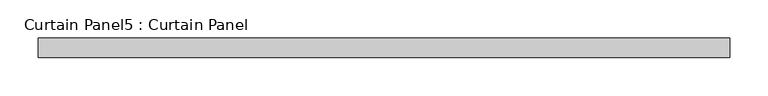
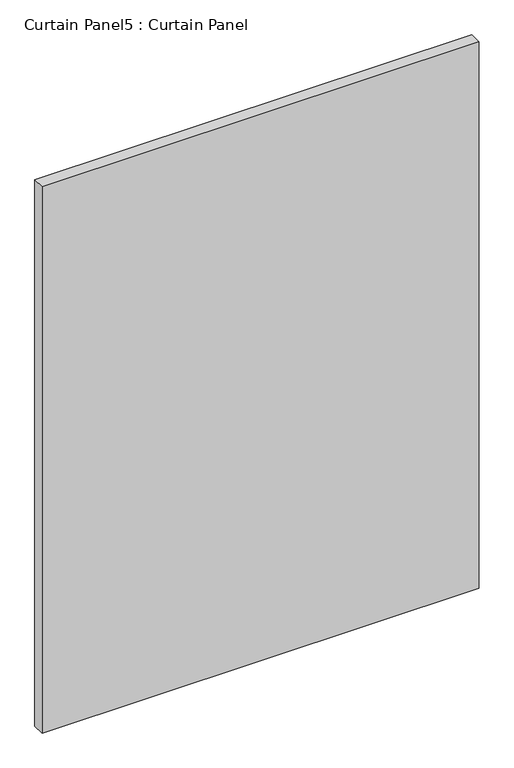
"""IFC4 building model written with IfcOpenShell, lengths in millimetres: plate geometry, Curtain Panel5 : Curtain Panel."""

import ifcopenshell
import ifcopenshell.guid

model = None  # the IFC model being written
_history = None  # IfcOwnerHistory: only IFC2X3 demands one
_inside = {}  # id of a spatial element -> (the spatial element, [elements in it])
_under = {}  # id of a project, library or spatial element -> (it, [spatial elements below it])
_declared = {}  # id of a project -> (the project, [libraries it declares])
_typed = {}  # id of a type object -> (the type object, [elements of that type])
_made_of = {}  # id of a material, layer set ... -> (it, [elements and type objects made of it])


def new_model(schema):
    """Start an empty IFC model of exactly this schema.

    Asked for "IFC4X3", IfcOpenShell would pick the latest addendum, in which some entities
    have other attributes; the version numbers below select the first issue.
    IFC2X3 requires an IfcOwnerHistory on every rooted entity: one is made here for all.
    """
    global model, _history
    if schema == "IFC4X3":
        model = ifcopenshell.file(schema_version=(4, 3, 0, 0))
    else:
        model = ifcopenshell.file(schema=schema)
    _inside.clear()
    _under.clear()
    _declared.clear()
    _typed.clear()
    _made_of.clear()
    _history = None
    if model.schema == "IFC2X3":
        org = make("IfcOrganization", Name="unknown")
        user = make(
            "IfcPersonAndOrganization",
            ThePerson=make("IfcPerson", FamilyName="unknown"),
            TheOrganization=org,
        )
        app = make(
            "IfcApplication",
            ApplicationDeveloper=org,
            Version="unknown",
            ApplicationFullName="unknown",
            ApplicationIdentifier="unknown",
        )
        _history = make(
            "IfcOwnerHistory",
            OwningUser=user,
            OwningApplication=app,
            ChangeAction="ADDED",
            CreationDate=0,
        )
    return model


def make(cls, **values):
    """One entity of the class cls with the attributes given. An attribute that is None is left unset."""
    return model.create_entity(
        cls, **{name: value for name, value in values.items() if value is not None}
    )


def rooted(cls, **values):
    """An entity with a GlobalId (a new one), such as an element, a storey or a relation."""
    return make(cls, GlobalId=ifcopenshell.guid.new(), OwnerHistory=_history, **values)


def si_unit(unit_type, name, prefix=None):
    """IfcSIUnit, for example si_unit("LENGTHUNIT", "METRE", prefix="MILLI")."""
    return make("IfcSIUnit", UnitType=unit_type, Prefix=prefix, Name=name)


def assignment(units):
    """IfcUnitAssignment: the units of a project."""
    return None if units is None else make("IfcUnitAssignment", Units=units)


def point(xyz):
    """IfcCartesianPoint."""
    return None if xyz is None else make("IfcCartesianPoint", Coordinates=xyz)


def direction(xyz):
    """IfcDirection."""
    return None if xyz is None else make("IfcDirection", DirectionRatios=xyz)


def frame(location, z_axis=None, x_axis=None):
    """IfcAxis2Placement3D, a coordinate frame: its origin and axes. An axis left out is left unset."""
    return make(
        "IfcAxis2Placement3D",
        Location=point(location),
        Axis=direction(z_axis),
        RefDirection=direction(x_axis),
    )


def origin():
    """The frame at (0, 0, 0) with its axes left unset."""
    return frame((0.0, 0.0, 0.0))


def place(relative_to, where):
    """IfcLocalPlacement: puts the frame where relative to a parent placement (None: the world)."""
    return make(
        "IfcLocalPlacement", PlacementRelTo=relative_to, RelativePlacement=where
    )


def context(
    kind, dimensions, precision=None, world=None, true_north=None, identifier=None
):
    """IfcGeometricRepresentationContext, for example the 3D "Model" context."""
    return make(
        "IfcGeometricRepresentationContext",
        ContextIdentifier=identifier,
        ContextType=kind,
        CoordinateSpaceDimension=dimensions,
        Precision=precision,
        WorldCoordinateSystem=world,
        TrueNorth=true_north,
    )


def project(units=None, contexts=None):
    """IfcProject with its units and contexts."""
    return rooted(
        "IfcProject",
        Name="project",
        RepresentationContexts=contexts,
        UnitsInContext=assignment(units),
    )


def spatial(cls, under=None, at=None, **own):
    """A site, building, storey or space (cls), placed at a placement, below another one or the project."""
    s = rooted(cls, ObjectPlacement=at, **own)
    if under is not None:
        _under.setdefault(under.id(), (under, []))[1].append(s)
    return s


def polyline(points):
    """IfcPolyline through the points."""
    return make("IfcPolyline", Points=[point(p) for p in points])


def outline(outer, holes=None, kind="AREA"):
    """IfcArbitraryClosedProfileDef: a profile drawn as a closed curve; with holes, ...WithVoids."""
    if holes is None:
        return make("IfcArbitraryClosedProfileDef", ProfileType=kind, OuterCurve=outer)
    return make(
        "IfcArbitraryProfileDefWithVoids",
        ProfileType=kind,
        OuterCurve=outer,
        InnerCurves=holes,
    )


def extrude(swept, where, along, depth):
    """IfcExtrudedAreaSolid: the profile swept, set in the frame where, extruded along a direction by depth."""
    return make(
        "IfcExtrudedAreaSolid",
        SweptArea=swept,
        Position=where,
        ExtrudedDirection=direction(along),
        Depth=depth,
    )


def shape(context_of_items, identifier, shape_type, items):
    """IfcShapeRepresentation: the items that make up one representation, for example the "Body"."""
    return make(
        "IfcShapeRepresentation",
        ContextOfItems=context_of_items,
        RepresentationIdentifier=identifier,
        RepresentationType=shape_type,
        Items=items,
    )


def source(mapping_origin, context_of_items, identifier, shape_type, items):
    """IfcRepresentationMap: a shape defined once, which mapped items show again and again."""
    return make(
        "IfcRepresentationMap",
        MappingOrigin=mapping_origin,
        MappedRepresentation=shape(context_of_items, identifier, shape_type, items),
    )


def transform(
    local_origin,
    x_axis=None,
    y_axis=None,
    z_axis=None,
    scale=None,
    scale2=None,
    scale3=None,
    uniform=True,
):
    """IfcCartesianTransformationOperator3D, or its non-uniform kind. x_axis, y_axis, z_axis: its Axis1, 2, 3."""
    if uniform:
        return make(
            "IfcCartesianTransformationOperator3D",
            Axis1=direction(x_axis),
            Axis2=direction(y_axis),
            LocalOrigin=point(local_origin),
            Scale=scale,
            Axis3=direction(z_axis),
        )
    return make(
        "IfcCartesianTransformationOperator3DnonUniform",
        Axis1=direction(x_axis),
        Axis2=direction(y_axis),
        LocalOrigin=point(local_origin),
        Scale=scale,
        Axis3=direction(z_axis),
        Scale2=scale2,
        Scale3=scale3,
    )


def mapped(mapping_source, mapping_target):
    """IfcMappedItem: shows the shape of a source again, moved by a transform."""
    return make(
        "IfcMappedItem", MappingSource=mapping_source, MappingTarget=mapping_target
    )


def made_of(thing, what):
    """Note that an element or type object is made of a material, layer set ...; save() writes the relation."""
    if what is not None:
        _made_of.setdefault(what.id(), (what, []))[1].append(thing)
    return thing


def element(
    cls,
    number,
    at=None,
    inside=None,
    cuts=None,
    type_object=None,
    material=None,
    context=None,
    identifier="Body",
    shape_type=None,
    held_by="IfcProductDefinitionShape",
    body=None,
    shapes=None,
    **own,
):
    """One element of the class cls, such as IfcWall. Its Tag is "e" and its number.

    at: its placement. inside: the storey or other place that contains it. cuts: it is an
    opening in that element (IfcRelVoidsElement). A single representation is given by context,
    identifier, shape_type and body (its items); several are given by shapes. held_by: the class
    of the entity that holds the representations. save() writes the other relations.
    """
    e = rooted(cls, Tag="e%d" % number, ObjectPlacement=at, **own)
    if body is not None:
        shapes = [shape(context, identifier, shape_type, body)]
    if shapes is not None:
        e.Representation = make(held_by, Representations=shapes)
    if inside is not None:
        _inside.setdefault(inside.id(), (inside, []))[1].append(e)
    if cuts is not None:
        rooted(
            "IfcRelVoidsElement", RelatingBuildingElement=cuts, RelatedOpeningElement=e
        )
    if type_object is not None:
        _typed.setdefault(type_object.id(), (type_object, []))[1].append(e)
    return made_of(e, material)


def aggregate(whole, parts):
    """IfcRelAggregates: a whole, such as a stair, and the parts it consists of."""
    return rooted("IfcRelAggregates", RelatingObject=whole, RelatedObjects=parts)


def save(model, path):
    """Write the relations noted so far, then the file.

    IfcRelAggregates (storeys below a building ...), IfcRelContainedInSpatialStructure (elements
    in a storey), IfcRelDefinesByType, IfcRelAssociatesMaterial and IfcRelDeclares: one each for
    every whole, place, type object, material and project.
    """
    for whole, parts in _under.values():
        aggregate(whole, parts)
    for where, things in _inside.values():
        rooted(
            "IfcRelContainedInSpatialStructure",
            RelatedElements=things,
            RelatingStructure=where,
        )
    for kind, things in _typed.values():
        rooted("IfcRelDefinesByType", RelatedObjects=things, RelatingType=kind)
    for what, things in _made_of.values():
        rooted("IfcRelAssociatesMaterial", RelatedObjects=things, RelatingMaterial=what)
    for by, libraries in _declared.values():
        rooted("IfcRelDeclares", RelatingContext=by, RelatedDefinitions=libraries)
    model.write(path)


def curtain_panel5_curtain_panel_1ed23836(model_context):
    return source(origin(), model_context, "Body", "SweptSolid", [
        extrude(outline(polyline([(-23405.0276264, 9468.7682302), (-24305.5846264, 9468.7682302), (-24305.5846264, 9494.1682302), (-23405.0276264, 9494.1682302), (-23405.0276264, 9468.7682302)])), frame((0.0, 0.0, 2468.5515916), z_axis=(0.0, 0.0, 1.0), x_axis=(1.0, 0.0, 0.0)), (0.0, 0.0, 1.0), 1189.0484084),
    ])


if __name__ == "__main__":
    model = new_model("IFC4")
    model_context = context("Model", 3, world=origin())
    ifc_project = project(units=[si_unit("LENGTHUNIT", "METRE", prefix="MILLI")], contexts=[model_context])
    site = spatial("IfcSite", under=ifc_project)
    building = spatial("IfcBuilding", under=site)
    placement = place(None, origin())
    curtain_panel5_curtain_panel_shape = curtain_panel5_curtain_panel_1ed23836(model_context)
    element("IfcPlate", 1, ObjectType="Curtain Panel5 : Curtain Panel", at=placement, inside=building, context=model_context, shape_type="MappedRepresentation", body=[
        mapped(curtain_panel5_curtain_panel_shape, transform((0.0, 0.0, 0.0), x_axis=(1.0, 0.0, 0.0), y_axis=(0.0, 1.0, 0.0), z_axis=(0.0, 0.0, 1.0))),
    ])
    save(model, "model.ifc")
